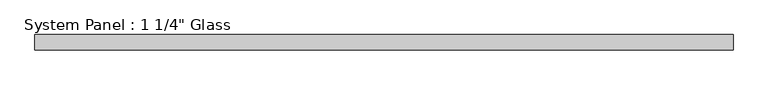
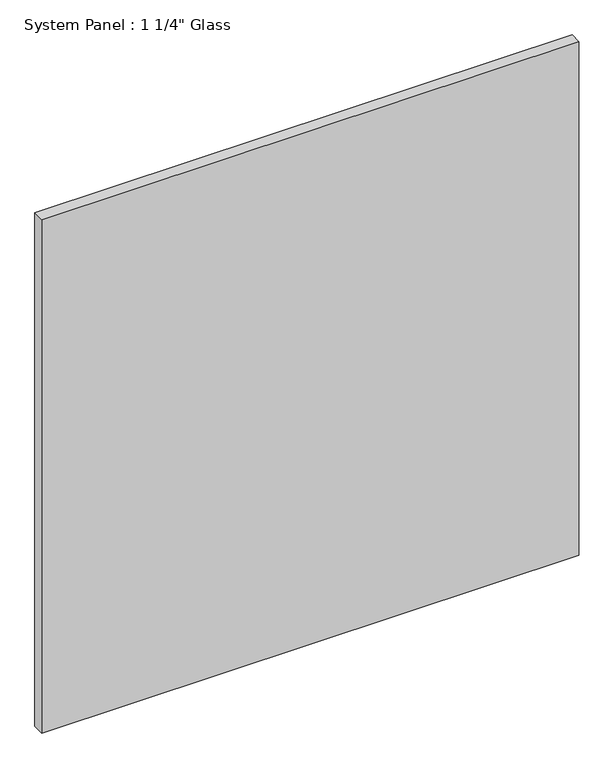
"""IFC4 building model written with IfcOpenShell, lengths in millimetres: plate geometry."""

import ifcopenshell
import ifcopenshell.guid

model = None  # the IFC model being written
_history = None  # IfcOwnerHistory: only IFC2X3 demands one
_inside = {}  # id of a spatial element -> (the spatial element, [elements in it])
_under = {}  # id of a project, library or spatial element -> (it, [spatial elements below it])
_declared = {}  # id of a project -> (the project, [libraries it declares])
_typed = {}  # id of a type object -> (the type object, [elements of that type])
_made_of = {}  # id of a material, layer set ... -> (it, [elements and type objects made of it])


def new_model(schema):
    """Start an empty IFC model of exactly this schema.

    Asked for "IFC4X3", IfcOpenShell would pick the latest addendum, in which some entities
    have other attributes; the version numbers below select the first issue.
    IFC2X3 requires an IfcOwnerHistory on every rooted entity: one is made here for all.
    """
    global model, _history
    if schema == "IFC4X3":
        model = ifcopenshell.file(schema_version=(4, 3, 0, 0))
    else:
        model = ifcopenshell.file(schema=schema)
    _inside.clear()
    _under.clear()
    _declared.clear()
    _typed.clear()
    _made_of.clear()
    _history = None
    if model.schema == "IFC2X3":
        org = make("IfcOrganization", Name="unknown")
        user = make(
            "IfcPersonAndOrganization",
            ThePerson=make("IfcPerson", FamilyName="unknown"),
            TheOrganization=org,
        )
        app = make(
            "IfcApplication",
            ApplicationDeveloper=org,
            Version="unknown",
            ApplicationFullName="unknown",
            ApplicationIdentifier="unknown",
        )
        _history = make(
            "IfcOwnerHistory",
            OwningUser=user,
            OwningApplication=app,
            ChangeAction="ADDED",
            CreationDate=0,
        )
    return model


def make(cls, **values):
    """One entity of the class cls with the attributes given. An attribute that is None is left unset."""
    return model.create_entity(
        cls, **{name: value for name, value in values.items() if value is not None}
    )


def rooted(cls, **values):
    """An entity with a GlobalId (a new one), such as an element, a storey or a relation."""
    return make(cls, GlobalId=ifcopenshell.guid.new(), OwnerHistory=_history, **values)


def si_unit(unit_type, name, prefix=None):
    """IfcSIUnit, for example si_unit("LENGTHUNIT", "METRE", prefix="MILLI")."""
    return make("IfcSIUnit", UnitType=unit_type, Prefix=prefix, Name=name)


def assignment(units):
    """IfcUnitAssignment: the units of a project."""
    return None if units is None else make("IfcUnitAssignment", Units=units)


def point(xyz):
    """IfcCartesianPoint."""
    return None if xyz is None else make("IfcCartesianPoint", Coordinates=xyz)


def direction(xyz):
    """IfcDirection."""
    return None if xyz is None else make("IfcDirection", DirectionRatios=xyz)


def frame(location, z_axis=None, x_axis=None):
    """IfcAxis2Placement3D, a coordinate frame: its origin and axes. An axis left out is left unset."""
    return make(
        "IfcAxis2Placement3D",
        Location=point(location),
        Axis=direction(z_axis),
        RefDirection=direction(x_axis),
    )


def origin():
    """The frame at (0, 0, 0) with its axes left unset."""
    return frame((0.0, 0.0, 0.0))


def origin_with_axes():
    """The frame at (0, 0, 0) with the z axis (0, 0, 1) and the x axis (1, 0, 0) written out."""
    return frame((0.0, 0.0, 0.0), z_axis=(0.0, 0.0, 1.0), x_axis=(1.0, 0.0, 0.0))


def place(relative_to, where):
    """IfcLocalPlacement: puts the frame where relative to a parent placement (None: the world)."""
    return make(
        "IfcLocalPlacement", PlacementRelTo=relative_to, RelativePlacement=where
    )


def context(
    kind, dimensions, precision=None, world=None, true_north=None, identifier=None
):
    """IfcGeometricRepresentationContext, for example the 3D "Model" context."""
    return make(
        "IfcGeometricRepresentationContext",
        ContextIdentifier=identifier,
        ContextType=kind,
        CoordinateSpaceDimension=dimensions,
        Precision=precision,
        WorldCoordinateSystem=world,
        TrueNorth=true_north,
    )


def project(units=None, contexts=None):
    """IfcProject with its units and contexts."""
    return rooted(
        "IfcProject",
        Name="project",
        RepresentationContexts=contexts,
        UnitsInContext=assignment(units),
    )


def spatial(cls, under=None, at=None, **own):
    """A site, building, storey or space (cls), placed at a placement, below another one or the project."""
    s = rooted(cls, ObjectPlacement=at, **own)
    if under is not None:
        _under.setdefault(under.id(), (under, []))[1].append(s)
    return s


def polyline(points):
    """IfcPolyline through the points."""
    return make("IfcPolyline", Points=[point(p) for p in points])


def outline(outer, holes=None, kind="AREA"):
    """IfcArbitraryClosedProfileDef: a profile drawn as a closed curve; with holes, ...WithVoids."""
    if holes is None:
        return make("IfcArbitraryClosedProfileDef", ProfileType=kind, OuterCurve=outer)
    return make(
        "IfcArbitraryProfileDefWithVoids",
        ProfileType=kind,
        OuterCurve=outer,
        InnerCurves=holes,
    )


def extrude(swept, where, along, depth):
    """IfcExtrudedAreaSolid: the profile swept, set in the frame where, extruded along a direction by depth."""
    return make(
        "IfcExtrudedAreaSolid",
        SweptArea=swept,
        Position=where,
        ExtrudedDirection=direction(along),
        Depth=depth,
    )


def shape(context_of_items, identifier, shape_type, items):
    """IfcShapeRepresentation: the items that make up one representation, for example the "Body"."""
    return make(
        "IfcShapeRepresentation",
        ContextOfItems=context_of_items,
        RepresentationIdentifier=identifier,
        RepresentationType=shape_type,
        Items=items,
    )


def source(mapping_origin, context_of_items, identifier, shape_type, items):
    """IfcRepresentationMap: a shape defined once, which mapped items show again and again."""
    return make(
        "IfcRepresentationMap",
        MappingOrigin=mapping_origin,
        MappedRepresentation=shape(context_of_items, identifier, shape_type, items),
    )


def transform(
    local_origin,
    x_axis=None,
    y_axis=None,
    z_axis=None,
    scale=None,
    scale2=None,
    scale3=None,
    uniform=True,
):
    """IfcCartesianTransformationOperator3D, or its non-uniform kind. x_axis, y_axis, z_axis: its Axis1, 2, 3."""
    if uniform:
        return make(
            "IfcCartesianTransformationOperator3D",
            Axis1=direction(x_axis),
            Axis2=direction(y_axis),
            LocalOrigin=point(local_origin),
            Scale=scale,
            Axis3=direction(z_axis),
        )
    return make(
        "IfcCartesianTransformationOperator3DnonUniform",
        Axis1=direction(x_axis),
        Axis2=direction(y_axis),
        LocalOrigin=point(local_origin),
        Scale=scale,
        Axis3=direction(z_axis),
        Scale2=scale2,
        Scale3=scale3,
    )


def mapped(mapping_source, mapping_target):
    """IfcMappedItem: shows the shape of a source again, moved by a transform."""
    return make(
        "IfcMappedItem", MappingSource=mapping_source, MappingTarget=mapping_target
    )


def made_of(thing, what):
    """Note that an element or type object is made of a material, layer set ...; save() writes the relation."""
    if what is not None:
        _made_of.setdefault(what.id(), (what, []))[1].append(thing)
    return thing


def element(
    cls,
    number,
    at=None,
    inside=None,
    cuts=None,
    type_object=None,
    material=None,
    context=None,
    identifier="Body",
    shape_type=None,
    held_by="IfcProductDefinitionShape",
    body=None,
    shapes=None,
    **own,
):
    """One element of the class cls, such as IfcWall. Its Tag is "e" and its number.

    at: its placement. inside: the storey or other place that contains it. cuts: it is an
    opening in that element (IfcRelVoidsElement). A single representation is given by context,
    identifier, shape_type and body (its items); several are given by shapes. held_by: the class
    of the entity that holds the representations. save() writes the other relations.
    """
    e = rooted(cls, Tag="e%d" % number, ObjectPlacement=at, **own)
    if body is not None:
        shapes = [shape(context, identifier, shape_type, body)]
    if shapes is not None:
        e.Representation = make(held_by, Representations=shapes)
    if inside is not None:
        _inside.setdefault(inside.id(), (inside, []))[1].append(e)
    if cuts is not None:
        rooted(
            "IfcRelVoidsElement", RelatingBuildingElement=cuts, RelatedOpeningElement=e
        )
    if type_object is not None:
        _typed.setdefault(type_object.id(), (type_object, []))[1].append(e)
    return made_of(e, material)


def aggregate(whole, parts):
    """IfcRelAggregates: a whole, such as a stair, and the parts it consists of."""
    return rooted("IfcRelAggregates", RelatingObject=whole, RelatedObjects=parts)


def save(model, path):
    """Write the relations noted so far, then the file.

    IfcRelAggregates (storeys below a building ...), IfcRelContainedInSpatialStructure (elements
    in a storey), IfcRelDefinesByType, IfcRelAssociatesMaterial and IfcRelDeclares: one each for
    every whole, place, type object, material and project.
    """
    for whole, parts in _under.values():
        aggregate(whole, parts)
    for where, things in _inside.values():
        rooted(
            "IfcRelContainedInSpatialStructure",
            RelatedElements=things,
            RelatingStructure=where,
        )
    for kind, things in _typed.values():
        rooted("IfcRelDefinesByType", RelatedObjects=things, RelatingType=kind)
    for what, things in _made_of.values():
        rooted("IfcRelAssociatesMaterial", RelatedObjects=things, RelatingMaterial=what)
    for by, libraries in _declared.values():
        rooted("IfcRelDeclares", RelatingContext=by, RelatedDefinitions=libraries)
    model.write(path)


def plate_216883ec(model_context):
    return source(origin(), model_context, "Body", "SweptSolid", [
        extrude(outline(polyline([(728.0163063, -40.48125), (-728.0163063, -40.48125), (-728.0163063, -8.73125), (728.0163063, -8.73125), (728.0163063, -40.48125)])), origin_with_axes(), (0.0, 0.0, 1.0), 1471.1843843),
    ])


if __name__ == "__main__":
    model = new_model("IFC4")
    model_context = context("Model", 3, world=origin())
    ifc_project = project(units=[si_unit("LENGTHUNIT", "METRE", prefix="MILLI")], contexts=[model_context])
    site = spatial("IfcSite", under=ifc_project)
    building = spatial("IfcBuilding", under=site)
    placement = place(None, origin())
    plate_shape = plate_216883ec(model_context)
    element("IfcPlate", 1, ObjectType="System Panel : 1 1/4\" Glass", at=placement, inside=building, context=model_context, shape_type="MappedRepresentation", body=[
        mapped(plate_shape, transform((0.0, 0.0, 0.0), x_axis=(1.0, 0.0, 0.0), y_axis=(0.0, 1.0, 0.0), z_axis=(0.0, 0.0, 1.0))),
    ])
    save(model, "model.ifc")
